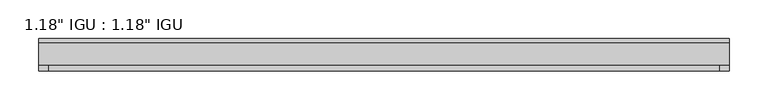
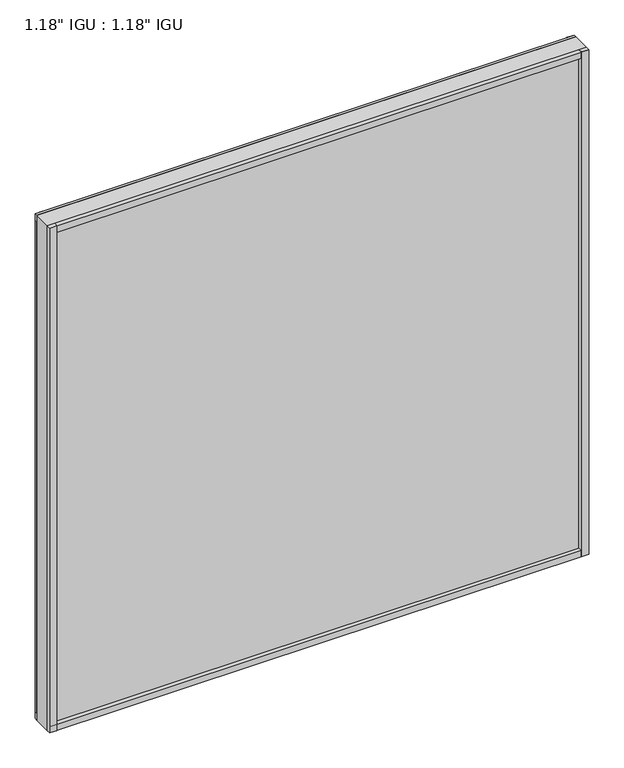
"""IFC4 building model written with IfcOpenShell, lengths in millimetres: plate geometry."""

from ifc_helpers import new_model, si_unit, frame, origin, origin_with_axes, place, context, project, spatial, polyline, outline, extrude, source, transform, mapped, element, save


def plate_474ce93c(model_context):
    return source(origin(), model_context, "Body", "SweptSolid", [
        extrude(outline(polyline([(444.51905, -9.7647125), (444.51905, -14.5399125), (-444.51905, -14.5399125), (-444.51905, -9.7647125), (444.51905, -9.7647125)])), origin_with_axes(), (0.0, 0.0, 1.0), 11.1252),
        extrude(outline(polyline([(-444.51905, -14.5399125), (-444.51905, -9.7647125), (444.51905, -9.7647125), (444.51905, -14.5399125), (-444.51905, -14.5399125)])), frame((0.0, 0.0, 868.3702658), z_axis=(0.0, 0.0, 1.0), x_axis=(1.0, 0.0, 0.0)), (0.0, 0.0, 1.0), 11.1252),
        extrude(outline(polyline([(444.51905, -44.6643125), (444.51905, -51.3953125), (432.3813704, -51.3953125), (432.3813704, -44.6643125), (444.51905, -44.6643125)])), origin_with_axes(), (0.0, 0.0, 1.0), 879.4954658),
        extrude(outline(polyline([(444.51905, -9.7765488), (444.51905, -14.5399125), (432.5066262, -14.5399125), (432.5066262, -9.7765488), (444.51905, -9.7765488)])), origin_with_axes(), (0.0, 0.0, 1.0), 879.4954658),
        extrude(outline(polyline([(-432.4984729, -51.3953125), (-444.51905, -51.3953125), (-444.51905, -44.6643125), (-432.4984729, -44.6643125), (-432.4984729, -51.3953125)])), origin_with_axes(), (0.0, 0.0, 1.0), 879.4954658),
        extrude(outline(polyline([(-432.4984729, -14.5399125), (-444.51905, -14.5399125), (-444.51905, -9.7647125), (-432.4984729, -9.7647125), (-432.4984729, -14.5399125)])), origin_with_axes(), (0.0, 0.0, 1.0), 879.4954658),
        extrude(outline(polyline([(444.51905, -44.6643125), (444.51905, -51.3953125), (-444.51905, -51.3953125), (-444.51905, -44.6643125), (444.51905, -44.6643125)])), origin_with_axes(), (0.0, 0.0, 1.0), 11.1693096),
        extrude(outline(polyline([(444.51905, -44.6643125), (444.51905, -51.3953125), (-444.51905, -51.3953125), (-444.51905, -44.6643125), (444.51905, -44.6643125)])), frame((0.0, 0.0, 868.31436), z_axis=(0.0, 0.0, 1.0), x_axis=(1.0, 0.0, 0.0)), (0.0, 0.0, 1.0), 11.1811058),
        extrude(outline(polyline([(444.51905, -44.6643125), (-444.51905, -44.6643125), (-444.51905, -14.5399125), (444.51905, -14.5399125), (444.51905, -44.6643125)])), origin_with_axes(), (0.0, 0.0, 1.0), 879.4954658),
    ])


if __name__ == "__main__":
    model = new_model("IFC4")
    model_context = context("Model", 3, world=origin())
    ifc_project = project(units=[si_unit("LENGTHUNIT", "METRE", prefix="MILLI")], contexts=[model_context])
    site = spatial("IfcSite", under=ifc_project)
    building = spatial("IfcBuilding", under=site)
    placement = place(None, origin())
    plate_shape = plate_474ce93c(model_context)
    element("IfcPlate", 1, ObjectType="1.18\" IGU : 1.18\" IGU", at=placement, inside=building, context=model_context, shape_type="MappedRepresentation", body=[
        mapped(plate_shape, transform((0.0, 0.0, 0.0), x_axis=(1.0, 0.0, 0.0), y_axis=(0.0, 1.0, 0.0), z_axis=(0.0, 0.0, 1.0))),
    ])
    save(model, "model.ifc")
